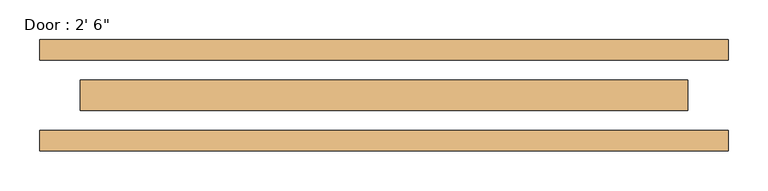
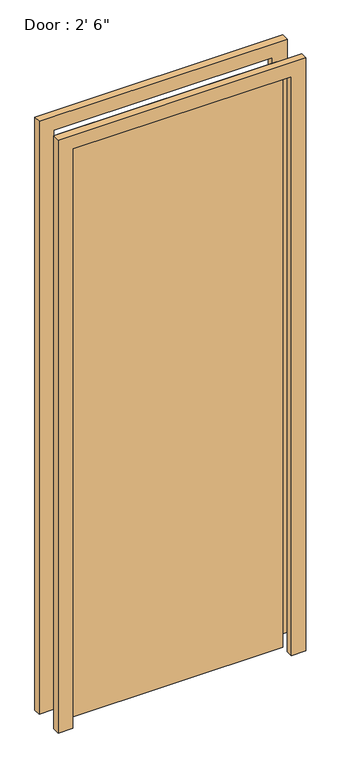
"""IFC4 building model written with IfcOpenShell, lengths in millimetres: door geometry."""

from ifc_helpers import new_model, si_unit, frame, origin, origin_with_axes, place, context, project, spatial, polyline, outline, extrude, source, transform, mapped, element, save


def door_ddf4cd56(model_context):
    return source(origin(), model_context, "Body", "SweptSolid", [
        extrude(outline(polyline([(-381.0, 19.05), (381.0, 19.05), (381.0, -19.05), (-381.0, -19.05), (-381.0, 19.05)])), origin_with_axes(), (0.0, 0.0, 1.0), 2133.6),
        extrude(outline(polyline([(2133.6, -381.0), (2133.6, 381.0), (0.0, 381.0), (0.0, 431.8), (2184.4, 431.8), (2184.4, -431.8), (0.0, -431.8), (0.0, -381.0), (2133.6, -381.0)])), frame((0.0, -69.85, 0.0), z_axis=(0.0, 1.0, 0.0), x_axis=(0.0, 0.0, 1.0)), (0.0, 0.0, 1.0), 25.4),
        extrude(outline(polyline([(2133.6, -381.0), (2133.6, 381.0), (0.0, 381.0), (0.0, 431.8), (2184.4, 431.8), (2184.4, -431.8), (0.0, -431.8), (0.0, -381.0), (2133.6, -381.0)])), frame((0.0, 44.45, 0.0), z_axis=(0.0, 1.0, 0.0), x_axis=(0.0, 0.0, 1.0)), (0.0, 0.0, 1.0), 25.4),
    ])


if __name__ == "__main__":
    model = new_model("IFC4")
    model_context = context("Model", 3, world=origin())
    ifc_project = project(units=[si_unit("LENGTHUNIT", "METRE", prefix="MILLI")], contexts=[model_context])
    site = spatial("IfcSite", under=ifc_project)
    building = spatial("IfcBuilding", under=site)
    placement = place(None, origin())
    door_shape = door_ddf4cd56(model_context)
    element("IfcDoor", 1, ObjectType="Door : 2' 6\"", at=placement, inside=building, context=model_context, shape_type="MappedRepresentation", body=[
        mapped(door_shape, transform((0.0, 0.0, 0.0), x_axis=(1.0, 0.0, 0.0), y_axis=(0.0, 1.0, 0.0), z_axis=(0.0, 0.0, 1.0))),
    ])
    save(model, "model.ifc")
